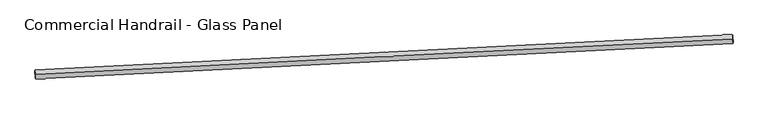
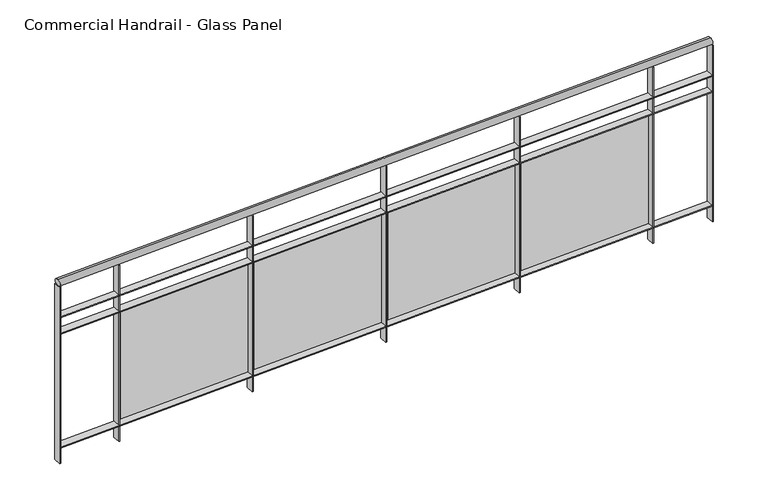
"""IFC4 building model written with IfcOpenShell, lengths in millimetres: railing geometry, Commercial Handrail - Glass Panel."""

from ifc_helpers import new_model, si_unit, point, frame, origin, place, context, project, spatial, polyline, circle_curve, ellipse_curve, trimmed, outline, extrude, source, transform, mapped, element, save
from ifc_brep_helpers import plane_surface, cylinder_surface, revolved_surface, advanced_brep


def commercial_handrail_glass_panel_bd824805(model_context):
    return source(origin(), model_context, "Body", "SolidModel", [
        advanced_brep(
        [(79397.2967525, -7868.0167373, 12882.5), (75492.5401966, -8066.1806126, 12882.5), (75492.5401966, -8066.1806126, 12917.5), (79397.2967525, -7868.0167373, 12917.5)],
        [
            (0, 1, circle_curve(frame((111016.9781026, -669493.9269536, 12882.5), z_axis=(0.0, 0.0, 1.0), x_axis=(-0.0536314228074189, 0.9985607995949229, 0.0)), 662381.0454099)),
            (1, 2, ellipse_curve(frame((75492.5401966, -8066.1806126, 12900.0), z_axis=(0.9985607995949235, 0.05363142280741247, 0.0), x_axis=(0.053631422807412454, -0.9985607995949233, 0.0)), 25.0, 17.5)),
            (2, 3, circle_curve(frame((111016.9781026, -669493.9269536, 12917.5), z_axis=(0.0, 0.0, -1.0), x_axis=(-0.0536314228074189, 0.9985607995949229, 0.0)), 662381.0454099)),
            (3, 0, ellipse_curve(frame((79397.2967525, -7868.0167373, 12900.0), z_axis=(-0.998859968595467, -0.047736392170574266, 0.0), x_axis=(0.047736392170574266, -0.998859968595467, 0.0)), 25.0, 17.5)),
            (2, 1, ellipse_curve(frame((75492.5401966, -8066.1806126, 12900.0), z_axis=(0.9985607995949235, 0.05363142280741247, 0.0), x_axis=(0.053631422807412454, -0.9985607995949233, 0.0)), 25.0, 17.5)),
            (0, 3, ellipse_curve(frame((79397.2967525, -7868.0167373, 12900.0), z_axis=(-0.998859968595467, -0.047736392170574266, 0.0), x_axis=(0.047736392170574266, -0.998859968595467, 0.0)), 25.0, 17.5)),
        ],
        [
            revolved_surface(trimmed(ellipse_curve(frame((75492.5401966, -8066.1806126, 12900.0), z_axis=(-0.9985607995949229, -0.0536314228074189, 0.0), x_axis=(0.0, 0.0, -1.0)), 17.5, 25.0), [point((75492.5401966, -8066.1806126, 12917.5))], [point((75492.5401966, -8066.1806126, 12882.5))], True, "CARTESIAN"), (111016.9781026, -669493.9269536, 12900.0), (0.0, 0.0, -1.0)),
            revolved_surface(trimmed(ellipse_curve(frame((75492.5401966, -8066.1806126, 12900.0), z_axis=(-0.9985607995949229, -0.0536314228074189, 0.0), x_axis=(0.0, 0.0, -1.0)), 17.5, 25.0), [point((75492.5401966, -8066.1806126, 12882.5))], [point((75492.5401966, -8066.1806126, 12917.5))], True, "CARTESIAN"), (111016.9781026, -669493.9269536, 12900.0), (0.0, 0.0, -1.0)),
            plane_surface(frame((75492.5401966, -8066.1806126, 12900.0), z_axis=(-0.998560799594923, -0.05363142280741891, 0.0), x_axis=(0.05363142280741891, -0.998560799594923, 0.0))),
            plane_surface(frame((79397.2967525, -7868.0167373, 12900.0), z_axis=(0.9988599685954669, 0.04773639217057431, 0.0), x_axis=(0.04773639217057431, -0.9988599685954669, 0.0))),
        ],
        [
            (0, [[1, 2, 3, 4]]),
            (1, [[-3, 5, -1, 6]]),
            (2, [[-2, -5]]),
            (3, [[-6, -4]]),
        ],
    ),
        advanced_brep(
        [(79396.2226837, -7845.542388, 12700.0), (75491.3334896, -8043.7129946, 12700.0), (75493.7469036, -8088.6482306, 12700.0), (79398.3708214, -7890.4910866, 12700.0), (79396.2226837, -7845.542388, 12694.0), (75491.3334896, -8043.7129946, 12694.0), (79398.3708214, -7890.4910866, 12694.0), (75493.7469036, -8088.6482306, 12694.0)],
        [
            (0, 1, circle_curve(frame((111016.9781026, -669493.9269536, 12700.0), z_axis=(0.0, 0.0, 1.0), x_axis=(-0.0536314228074189, 0.9985607995949229, 0.0)), 662403.5454099)),
            (1, 2),
            (2, 3, circle_curve(frame((111016.9781026, -669493.9269536, 12700.0), z_axis=(0.0, 0.0, -1.0), x_axis=(-0.0536314228074189, 0.9985607995949229, 0.0)), 662358.5454099)),
            (3, 0),
            (4, 5, circle_curve(frame((111016.9781026, -669493.9269536, 12694.0), z_axis=(0.0, 0.0, 1.0), x_axis=(-0.0536314228074189, 0.9985607995949229, 0.0)), 662403.5454099)),
            (5, 1),
            (0, 4),
            (6, 7, circle_curve(frame((111016.9781026, -669493.9269536, 12694.0), z_axis=(0.0, 0.0, 1.0), x_axis=(-0.0536314228074189, 0.9985607995949229, 0.0)), 662358.5454099)),
            (7, 5),
            (4, 6),
            (2, 7),
            (6, 3),
        ],
        [
            plane_surface(frame((111016.9781026, -669493.9269536, 12700.0), z_axis=(0.0, 0.0, 1.0), x_axis=(-0.0536314228074189, 0.9985607995949229, 0.0))),
            cylinder_surface(frame((111016.9781026, -669493.9269536, 12700.0), z_axis=(0.0, 0.0, -1.0), x_axis=(-0.0536314228074189, 0.9985607995949229, 0.0)), 662403.5454099),
            plane_surface(frame((111016.9781026, -669493.9269536, 12694.0), z_axis=(0.0, 0.0, -1.0), x_axis=(-0.0536314228074189, 0.9985607995949229, 0.0))),
            revolved_surface(polyline([(75493.74690361468, -8088.648230560124, 12694.0), (75493.74690361468, -8088.648230560124, 12700.0)]), (111016.9781026, -669493.9269536, 12700.0), (0.0, 0.0, -1.0)),
            plane_surface(frame((75492.5401966, -8066.1806126, 12700.0), z_axis=(-0.998560799594923, -0.05363142280741891, 0.0), x_axis=(0.05363142280741891, -0.998560799594923, 0.0))),
            plane_surface(frame((79397.2967525, -7868.0167373, 12700.0), z_axis=(0.9988599685954669, 0.04773639217057431, 0.0), x_axis=(0.04773639217057431, -0.9988599685954669, 0.0))),
        ],
        [
            (0, [[1, 2, 3, 4]]),
            (1, [[5, 6, -1, 7]]),
            (2, [[8, 9, -5, 10]]),
            (3, [[-3, 11, -8, 12]]),
            (4, [[-2, -6, -9, -11]]),
            (5, [[-12, -10, -7, -4]]),
        ],
    ),
        advanced_brep(
        [(79396.2226837, -7845.542388, 12600.0), (75491.3334896, -8043.7129946, 12600.0), (75493.7469036, -8088.6482306, 12600.0), (79398.3708214, -7890.4910866, 12600.0), (79396.2226837, -7845.542388, 12594.0), (75491.3334896, -8043.7129946, 12594.0), (79398.3708214, -7890.4910866, 12594.0), (75493.7469036, -8088.6482306, 12594.0)],
        [
            (0, 1, circle_curve(frame((111016.9781026, -669493.9269536, 12600.0), z_axis=(0.0, 0.0, 1.0), x_axis=(-0.0536314228074189, 0.9985607995949229, 0.0)), 662403.5454099)),
            (1, 2),
            (2, 3, circle_curve(frame((111016.9781026, -669493.9269536, 12600.0), z_axis=(0.0, 0.0, -1.0), x_axis=(-0.0536314228074189, 0.9985607995949229, 0.0)), 662358.5454099)),
            (3, 0),
            (4, 5, circle_curve(frame((111016.9781026, -669493.9269536, 12594.0), z_axis=(0.0, 0.0, 1.0), x_axis=(-0.0536314228074189, 0.9985607995949229, 0.0)), 662403.5454099)),
            (5, 1),
            (0, 4),
            (6, 7, circle_curve(frame((111016.9781026, -669493.9269536, 12594.0), z_axis=(0.0, 0.0, 1.0), x_axis=(-0.0536314228074189, 0.9985607995949229, 0.0)), 662358.5454099)),
            (7, 5),
            (4, 6),
            (2, 7),
            (6, 3),
        ],
        [
            plane_surface(frame((111016.9781026, -669493.9269536, 12600.0), z_axis=(0.0, 0.0, 1.0), x_axis=(-0.0536314228074189, 0.9985607995949229, 0.0))),
            cylinder_surface(frame((111016.9781026, -669493.9269536, 12600.0), z_axis=(0.0, 0.0, -1.0), x_axis=(-0.0536314228074189, 0.9985607995949229, 0.0)), 662403.5454099),
            plane_surface(frame((111016.9781026, -669493.9269536, 12594.0), z_axis=(0.0, 0.0, -1.0), x_axis=(-0.0536314228074189, 0.9985607995949229, 0.0))),
            revolved_surface(polyline([(75493.74690361468, -8088.648230560124, 12594.0), (75493.74690361468, -8088.648230560124, 12600.0)]), (111016.9781026, -669493.9269536, 12600.0), (0.0, 0.0, -1.0)),
            plane_surface(frame((75492.5401966, -8066.1806126, 12600.0), z_axis=(-0.998560799594923, -0.05363142280741891, 0.0), x_axis=(0.05363142280741891, -0.998560799594923, 0.0))),
            plane_surface(frame((79397.2967525, -7868.0167373, 12600.0), z_axis=(0.9988599685954669, 0.04773639217057431, 0.0), x_axis=(0.04773639217057431, -0.9988599685954669, 0.0))),
        ],
        [
            (0, [[1, 2, 3, 4]]),
            (1, [[5, 6, -1, 7]]),
            (2, [[8, 9, -5, 10]]),
            (3, [[-3, 11, -8, 12]]),
            (4, [[-2, -6, -9, -11]]),
            (5, [[-12, -10, -7, -4]]),
        ],
    ),
        advanced_brep(
        [(79396.2226837, -7845.542388, 11900.0), (75491.3334896, -8043.7129946, 11900.0), (75493.7469036, -8088.6482306, 11900.0), (79398.3708214, -7890.4910866, 11900.0), (79396.2226837, -7845.542388, 11894.0), (75491.3334896, -8043.7129946, 11894.0), (79398.3708214, -7890.4910866, 11894.0), (75493.7469036, -8088.6482306, 11894.0)],
        [
            (0, 1, circle_curve(frame((111016.9781026, -669493.9269536, 11900.0), z_axis=(0.0, 0.0, 1.0), x_axis=(-0.0536314228074189, 0.9985607995949229, 0.0)), 662403.5454099)),
            (1, 2),
            (2, 3, circle_curve(frame((111016.9781026, -669493.9269536, 11900.0), z_axis=(0.0, 0.0, -1.0), x_axis=(-0.0536314228074189, 0.9985607995949229, 0.0)), 662358.5454099)),
            (3, 0),
            (4, 5, circle_curve(frame((111016.9781026, -669493.9269536, 11894.0), z_axis=(0.0, 0.0, 1.0), x_axis=(-0.0536314228074189, 0.9985607995949229, 0.0)), 662403.5454099)),
            (5, 1),
            (0, 4),
            (6, 7, circle_curve(frame((111016.9781026, -669493.9269536, 11894.0), z_axis=(0.0, 0.0, 1.0), x_axis=(-0.0536314228074189, 0.9985607995949229, 0.0)), 662358.5454099)),
            (7, 5),
            (4, 6),
            (2, 7),
            (6, 3),
        ],
        [
            plane_surface(frame((111016.9781026, -669493.9269536, 11900.0), z_axis=(0.0, 0.0, 1.0), x_axis=(-0.0536314228074189, 0.9985607995949229, 0.0))),
            cylinder_surface(frame((111016.9781026, -669493.9269536, 11900.0), z_axis=(0.0, 0.0, -1.0), x_axis=(-0.0536314228074189, 0.9985607995949229, 0.0)), 662403.5454099),
            plane_surface(frame((111016.9781026, -669493.9269536, 11894.0), z_axis=(0.0, 0.0, -1.0), x_axis=(-0.0536314228074189, 0.9985607995949229, 0.0))),
            revolved_surface(polyline([(75493.74690361468, -8088.648230560124, 11894.0), (75493.74690361468, -8088.648230560124, 11900.0)]), (111016.9781026, -669493.9269536, 11900.0), (0.0, 0.0, -1.0)),
            plane_surface(frame((75492.5401966, -8066.1806126, 11900.0), z_axis=(-0.998560799594923, -0.05363142280741891, 0.0), x_axis=(0.05363142280741891, -0.998560799594923, 0.0))),
            plane_surface(frame((79397.2967525, -7868.0167373, 11900.0), z_axis=(0.9988599685954669, 0.04773639217057431, 0.0), x_axis=(0.04773639217057431, -0.9988599685954669, 0.0))),
        ],
        [
            (0, [[1, 2, 3, 4]]),
            (1, [[5, 6, -1, 7]]),
            (2, [[8, 9, -5, 10]]),
            (3, [[-3, 11, -8, 12]]),
            (4, [[-2, -6, -9, -11]]),
            (5, [[-12, -10, -7, -4]]),
        ],
    ),
        extrude(outline(polyline([(79040.9018338, -7907.6716301), (79038.7296137, -7862.7240889), (79044.7226192, -7862.4344596), (79046.8948393, -7907.3820008), (79040.9018338, -7907.6716301)])), frame((0.0, 0.0, 11800.0), z_axis=(0.0, 0.0, 1.0), x_axis=(1.0, 0.0, 0.0)), (0.0, 0.0, 1.0), 1082.1192282),
        extrude(outline(polyline([(78263.4452648, -7917.0618703), (79022.5370012, -7879.9170767), (79023.1234979, -7891.9027357), (78264.0317615, -7929.0475293), (78263.4452648, -7917.0618703)])), frame((0.0, 0.0, 11920.0), z_axis=(0.0, 0.0, 1.0), x_axis=(1.0, 0.0, 0.0)), (0.0, 0.0, 1.0), 660.0),
        extrude(outline(polyline([(78241.8852686, -7946.7737013), (78239.658764, -7901.8288164), (78245.6514154, -7901.5319492), (78247.8779199, -7946.476834), (78241.8852686, -7946.7737013)])), frame((0.0, 0.0, 11800.0), z_axis=(0.0, 0.0, 1.0), x_axis=(1.0, 0.0, 0.0)), (0.0, 0.0, 1.0), 1082.1192282),
        extrude(outline(polyline([(77464.4406078, -7957.1029185), (78223.4869284, -7919.0413485), (78224.0879006, -7931.0262904), (77465.0415799, -7969.0878604), (77464.4406078, -7957.1029185)])), frame((0.0, 0.0, 11920.0), z_axis=(0.0, 0.0, 1.0), x_axis=(1.0, 0.0, 0.0)), (0.0, 0.0, 1.0), 660.0),
        extrude(outline(polyline([(77442.9165122, -7986.8407672), (77440.6357265, -7941.8986042), (77446.6280149, -7941.5944994), (77448.9088006, -7986.5366625), (77442.9165122, -7986.8407672)])), frame((0.0, 0.0, 11800.0), z_axis=(0.0, 0.0, 1.0), x_axis=(1.0, 0.0, 0.0)), (0.0, 0.0, 1.0), 1082.1192282),
        extrude(outline(polyline([(76665.4848937, -7998.1089463), (77424.4846913, -7959.1306555), (77425.100138, -7971.1148628), (76666.1003404, -8010.0931537), (76665.4848937, -7998.1089463)])), frame((0.0, 0.0, 11920.0), z_axis=(0.0, 0.0, 1.0), x_axis=(1.0, 0.0, 0.0)), (0.0, 0.0, 1.0), 660.0),
        extrude(outline(polyline([(76643.9967301, -8027.8727694), (76641.6616665, -7982.9333938), (76647.6535833, -7982.622052), (76649.9886469, -8027.5614276), (76643.9967301, -8027.8727694)])), frame((0.0, 0.0, 11800.0), z_axis=(0.0, 0.0, 1.0), x_axis=(1.0, 0.0, 0.0)), (0.0, 0.0, 1.0), 1082.1192282),
        extrude(outline(polyline([(75866.5792879, -8040.079894), (76625.5314554, -8000.1849391), (76626.1613757, -8012.1683944), (75867.2092082, -8052.0633493), (75866.5792879, -8040.079894)])), frame((0.0, 0.0, 11920.0), z_axis=(0.0, 0.0, 1.0), x_axis=(1.0, 0.0, 0.0)), (0.0, 0.0, 1.0), 660.0),
        extrude(outline(polyline([(75845.1270877, -8069.869648), (75842.7377496, -8024.9331254), (75848.7292859, -8024.614547), (75851.118624, -8069.5510696), (75845.1270877, -8069.869648)])), frame((0.0, 0.0, 11800.0), z_axis=(0.0, 0.0, 1.0), x_axis=(1.0, 0.0, 0.0)), (0.0, 0.0, 1.0), 1082.1192282),
        extrude(outline(polyline([(79395.3742415, -7890.6342957), (79393.2261038, -7845.6855972), (79399.2192636, -7845.3991788), (79401.3674013, -7890.3478774), (79395.3742415, -7890.6342957)])), frame((0.0, 0.0, 11800.0), z_axis=(0.0, 0.0, 1.0), x_axis=(1.0, 0.0, 0.0)), (0.0, 0.0, 1.0), 1082.1192282),
        extrude(outline(polyline([(75490.7512212, -8088.8091249), (75488.3378072, -8043.8738889), (75494.329172, -8043.5521004), (75496.742586, -8088.4873363), (75490.7512212, -8088.8091249)])), frame((0.0, 0.0, 11800.0), z_axis=(0.0, 0.0, 1.0), x_axis=(1.0, 0.0, 0.0)), (0.0, 0.0, 1.0), 1082.1192282),
    ])


if __name__ == "__main__":
    model = new_model("IFC4")
    model_context = context("Model", 3, world=origin())
    ifc_project = project(units=[si_unit("LENGTHUNIT", "METRE", prefix="MILLI")], contexts=[model_context])
    site = spatial("IfcSite", under=ifc_project)
    building = spatial("IfcBuilding", under=site)
    placement = place(None, origin())
    commercial_handrail_glass_panel_shape = commercial_handrail_glass_panel_bd824805(model_context)
    element("IfcRailing", 1, ObjectType="Commercial Handrail - Glass Panel", at=placement, inside=building, context=model_context, shape_type="MappedRepresentation", body=[
        mapped(commercial_handrail_glass_panel_shape, transform((0.0, 0.0, 0.0), x_axis=(1.0, 0.0, 0.0), y_axis=(0.0, 1.0, 0.0), z_axis=(0.0, 0.0, 1.0))),
    ])
    save(model, "model.ifc")
